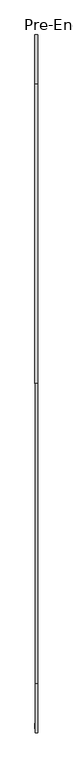
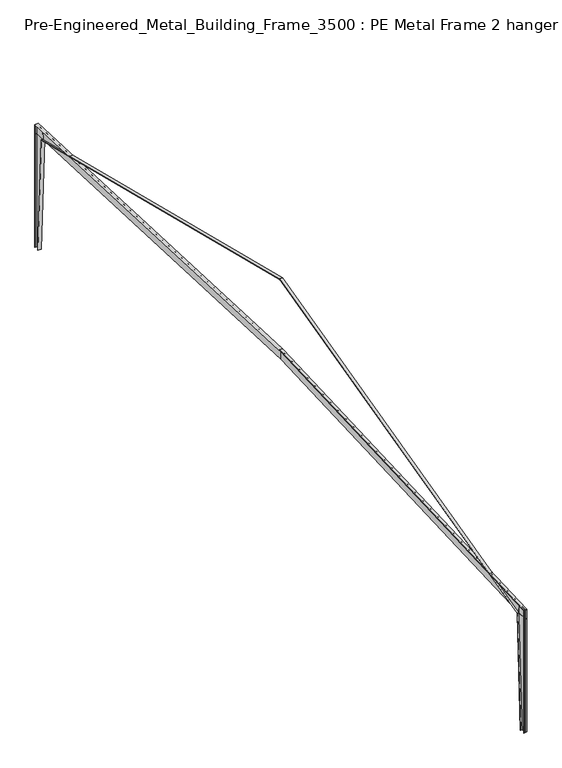
"""IFC4 building model written with IfcOpenShell, lengths in millimetres: proxy geometry, Pre-Engineered_Metal_Building_Frame_3500 : PE Metal Frame 2 hanger frame 2."""

from ifc_helpers import new_model, si_unit, frame, origin, origin_with_axes, place, context, project, spatial, polyline, outline, extrude, source, transform, mapped, element, save


def pre_engineered_metal_building_frame_3500_pe_metal_frame_2_9e852bc8(model_context):
    return source(origin(), model_context, "Body", "SweptSolid", [
        extrude(outline(polyline([(-84729.5508097, 0.0), (-84729.5508097, 12000.0), (-83672.3508097, 12000.0), (-84272.3508097, 0.0), (-84729.5508097, 0.0)])), frame((-3.96875, 0.0, 0.0), z_axis=(1.0, 0.0, 0.0), x_axis=(0.0, 1.0, 0.0)), (0.0, 0.0, 1.0), 7.9375),
        extrude(outline(polyline([(-83646.9508097, 12000.0), (-84246.9508097, 0.0), (-84272.3825399, 0.0), (-83672.3825399, 12000.0), (-83646.9508097, 12000.0)])), frame((-178.0, 0.0, 0.0), z_axis=(1.0, 0.0, 0.0), x_axis=(0.0, 1.0, 0.0)), (0.0, 0.0, 1.0), 356.0),
        extrude(outline(polyline([(-84754.9508097, 12952.5763604), (-84729.5508097, 12953.6853484), (-84729.5508097, 12000.0), (-84754.9508097, 12000.0), (-84754.9508097, 12952.5763604)])), frame((-152.4, 0.0, 0.0), z_axis=(1.0, 0.0, 0.0), x_axis=(0.0, 1.0, 0.0)), (0.0, 0.0, 1.0), 304.8),
        extrude(outline(polyline([(-84729.5508097, 12000.0), (-84729.5508097, 12953.6853484), (-83690.5701971, 12999.0482216), (-83646.9508097, 12000.0), (-84729.5508097, 12000.0)])), frame((-3.96875, 0.0, 0.0), z_axis=(1.0, 0.0, 0.0), x_axis=(0.0, 1.0, 0.0)), (0.0, 0.0, 1.0), 7.9375),
        extrude(outline(polyline([(-42377.4508097, 14802.8179685), (-84754.9508097, 12952.5763604), (-84754.9508097, 12978.7580533), (-42377.4508097, 14828.9996614), (-42377.4508097, 14802.8179685)])), frame((-152.4, 0.0, 0.0), z_axis=(1.0, 0.0, 0.0), x_axis=(0.0, 1.0, 0.0)), (0.0, 0.0, 1.0), 304.8),
        extrude(outline(polyline([(-84754.9508097, 12952.5763604), (-84729.5508097, 12953.6853484), (-84729.5508097, 12000.0), (-84754.9508097, 12000.0), (-84754.9508097, 12952.5763604)])), frame((-152.4, 0.0, 0.0), z_axis=(1.0, 0.0, 0.0), x_axis=(0.0, 1.0, 0.0)), (0.0, 0.0, 1.0), 304.8),
        extrude(outline(polyline([(-42377.4508097, 13801.8652834), (-83646.9508097, 12000.0), (-83690.5701971, 12999.0482216), (-42377.4508097, 14802.8179685), (-42377.4508097, 13801.8652834)])), frame((-3.96875, 0.0, 0.0), z_axis=(1.0, 0.0, 0.0), x_axis=(0.0, 1.0, 0.0)), (0.0, 0.0, 1.0), 7.9375),
        extrude(outline(polyline([(-42377.4508097, 22317.375), (-83646.9508097, 12000.0), (-83672.3508097, 12000.0), (-83672.3508097, 12019.8317207), (-42377.4508097, 22343.5567207), (-42377.4508097, 22317.375)])), frame((-152.4, 0.0, 0.0), z_axis=(1.0, 0.0, 0.0), x_axis=(0.0, 1.0, 0.0)), (0.0, 0.0, 1.0), 304.8),
        extrude(outline(polyline([(152.4, -84729.5508097), (152.4, -84754.9508097), (-152.4, -84754.9508097), (-152.4, -84729.5508097), (152.4, -84729.5508097)])), origin_with_axes(), (0.0, 0.0, 1.0), 12000.0),
        extrude(outline(polyline([(-25.3508097, 12000.0), (-1107.9508097, 12000.0), (-1064.3314223, 12999.0482216), (-25.3508097, 12953.6853484), (-25.3508097, 12000.0)])), frame((-3.96875, 0.0, 0.0), z_axis=(1.0, 0.0, 0.0), x_axis=(0.0, 1.0, 0.0)), (0.0, 0.0, 1.0), 7.9375),
        extrude(outline(polyline([(-25.3508097, 0.0), (-482.5190795, 0.0), (-1082.5190795, 12000.0), (-25.3508097, 12000.0), (-25.3508097, 0.0)])), frame((-3.96875, 0.0, 0.0), z_axis=(1.0, 0.0, 0.0), x_axis=(0.0, 1.0, 0.0)), (0.0, 0.0, 1.0), 7.9375),
        extrude(outline(polyline([(-42377.4508097, 14802.8179685), (-42377.4508097, 14828.9996614), (0.0491903, 12978.7580533), (0.0491903, 12952.5763604), (-42377.4508097, 14802.8179685)])), frame((-178.0, 0.0, 0.0), z_axis=(1.0, 0.0, 0.0), x_axis=(0.0, 1.0, 0.0)), (0.0, 0.0, 1.0), 356.0),
        extrude(outline(polyline([(0.0491903, 12952.5763604), (0.0491903, 12000.0), (-25.3508097, 12000.0), (-25.3508097, 12953.6853484), (0.0491903, 12952.5763604)])), frame((-178.0, 0.0, 0.0), z_axis=(1.0, 0.0, 0.0), x_axis=(0.0, 1.0, 0.0)), (0.0, 0.0, 1.0), 356.0),
        extrude(outline(polyline([(-42377.4508097, 13801.8652834), (-42377.4508097, 14802.8179685), (-1064.3314223, 12999.0482216), (-1107.9508097, 12000.0), (-42377.4508097, 13801.8652834)])), frame((-3.96875, 0.0, 0.0), z_axis=(1.0, 0.0, 0.0), x_axis=(0.0, 1.0, 0.0)), (0.0, 0.0, 1.0), 7.9375),
        extrude(outline(polyline([(-42377.4508097, 22317.375), (-42377.4508097, 22343.5567207), (-1082.5508097, 12019.8317207), (-1082.5508097, 12000.0), (-1107.9508097, 12000.0), (-42377.4508097, 22317.375)])), frame((-178.0, 0.0, 0.0), z_axis=(1.0, 0.0, 0.0), x_axis=(0.0, 1.0, 0.0)), (0.0, 0.0, 1.0), 356.0),
        extrude(outline(polyline([(-1107.9508097, 12000.0), (-1082.5190795, 12000.0), (-482.5190795, 0.0), (-507.9508097, 0.0), (-1107.9508097, 12000.0)])), frame((-178.0, 0.0, 0.0), z_axis=(1.0, 0.0, 0.0), x_axis=(0.0, 1.0, 0.0)), (0.0, 0.0, 1.0), 356.0),
        extrude(outline(polyline([(178.0, 0.0491903), (178.0, -25.3508097), (-178.0, -25.3508097), (-178.0, 0.0491903), (178.0, 0.0491903)])), origin_with_axes(), (0.0, 0.0, 1.0), 12000.0),
    ])


if __name__ == "__main__":
    model = new_model("IFC4")
    model_context = context("Model", 3, world=origin())
    ifc_project = project(units=[si_unit("LENGTHUNIT", "METRE", prefix="MILLI")], contexts=[model_context])
    site = spatial("IfcSite", under=ifc_project)
    building = spatial("IfcBuilding", under=site)
    placement = place(None, origin())
    pre_engineered_metal_building_frame_3500_pe_metal_frame_2_shape = pre_engineered_metal_building_frame_3500_pe_metal_frame_2_9e852bc8(model_context)
    element("IfcBuildingElementProxy", 1, Name="Pre-Engineered_Metal_Building_Frame_3500 : PE Metal Frame 2 hanger frame 2", ObjectType="Pre-Engineered_Metal_Building_Frame_3500 : PE Metal Frame 2 hanger frame 2", at=placement, inside=building, context=model_context, shape_type="MappedRepresentation", body=[
        mapped(pre_engineered_metal_building_frame_3500_pe_metal_frame_2_shape, transform((0.0, 0.0, 0.0), x_axis=(1.0, 0.0, 0.0), y_axis=(0.0, 1.0, 0.0), z_axis=(0.0, 0.0, 1.0))),
    ])
    save(model, "model.ifc")
